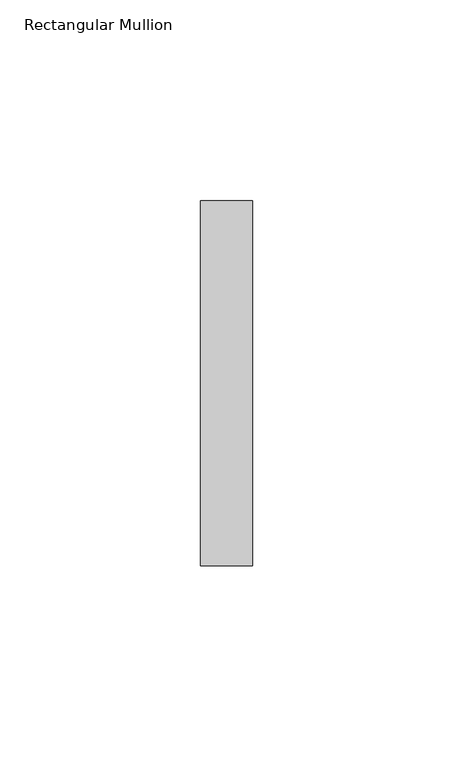
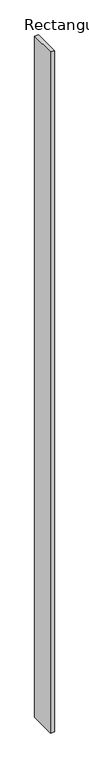
"""IFC4 building model written with IfcOpenShell, lengths in millimetres: member geometry, Rectangular Mullion."""

from ifc_helpers import new_model, si_unit, frame, origin, place, context, project, spatial, polyline, outline, extrude, source, transform, mapped, element, save


def rectangular_mullion_dc35ea75(model_context):
    return source(origin(), model_context, "Body", "SweptSolid", [
        extrude(outline(polyline([(0.0, 45.5), (0.0, -45.5), (-13.0, -45.5), (-13.0, 45.5), (0.0, 45.5)])), frame((0.0, 0.0, -2400.0), z_axis=(0.0, 0.0, 1.0), x_axis=(1.0, 0.0, 0.0)), (0.0, 0.0, 1.0), 2400.0),
    ])


if __name__ == "__main__":
    model = new_model("IFC4")
    model_context = context("Model", 3, world=origin())
    ifc_project = project(units=[si_unit("LENGTHUNIT", "METRE", prefix="MILLI")], contexts=[model_context])
    site = spatial("IfcSite", under=ifc_project)
    building = spatial("IfcBuilding", under=site)
    placement = place(None, origin())
    rectangular_mullion_shape = rectangular_mullion_dc35ea75(model_context)
    element("IfcMember", 1, ObjectType="Rectangular Mullion", at=placement, inside=building, context=model_context, shape_type="MappedRepresentation", body=[
        mapped(rectangular_mullion_shape, transform((0.0, 0.0, 0.0), x_axis=(1.0, 0.0, 0.0), y_axis=(0.0, 1.0, 0.0), z_axis=(0.0, 0.0, 1.0))),
    ])
    save(model, "model.ifc")
